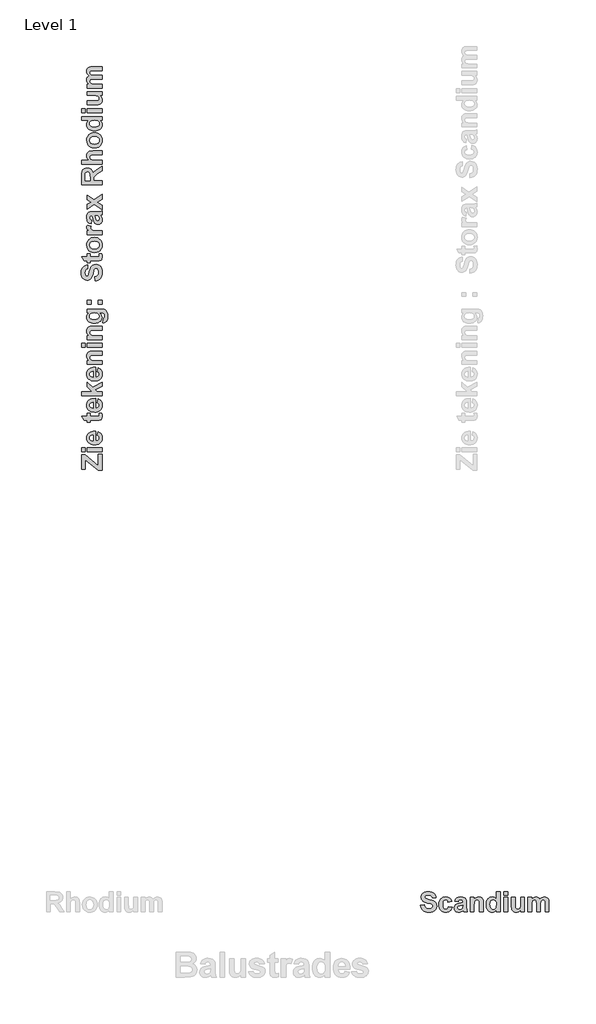
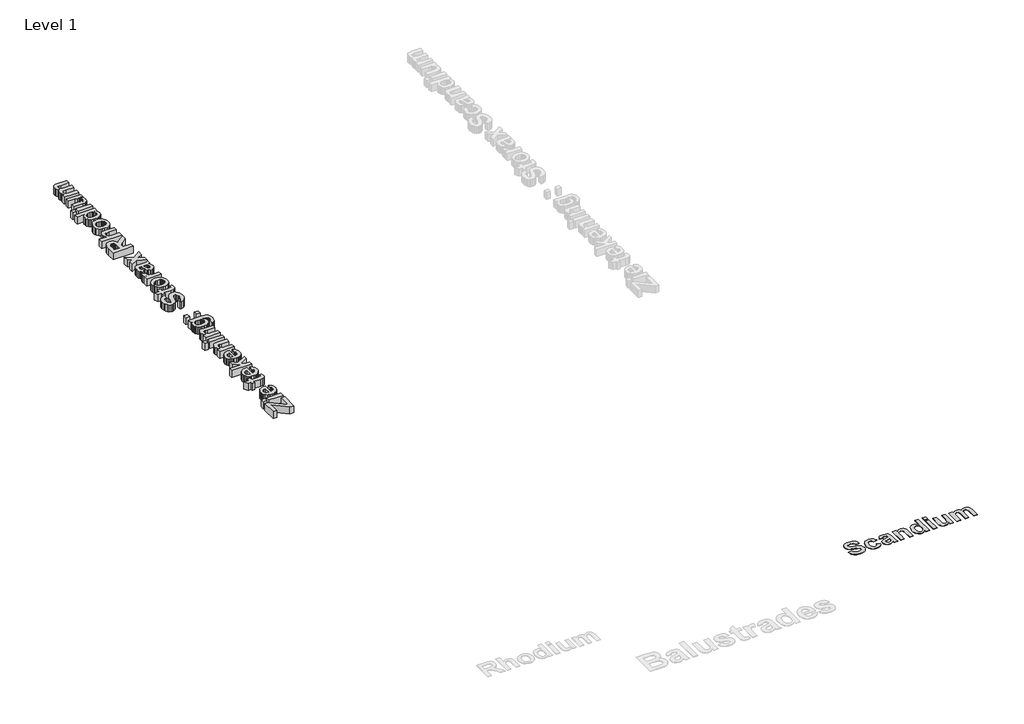
# One storey, part 8 of 16: 2 proxies.
"""IFC4 building model written with IfcOpenShell, lengths in millimetres."""

from ifc_helpers import new_model, si_unit, origin, origin_with_axes, place, context, project, spatial, polyline, outline, extrude, element, save

model = new_model("IFC4")

# Units and contexts
model_context = context("Model", 3, world=origin())
ifc_project = project(units=[si_unit("LENGTHUNIT", "METRE", prefix="MILLI")], contexts=[model_context])

# Site, building, storey
site = spatial("IfcSite", under=ifc_project)
building = spatial("IfcBuilding", under=site)
storey = spatial("IfcBuildingStorey", under=building, Name="Level 1", Elevation=0.0)

# Proxies
placement = place(None, origin())
element("IfcBuildingElementProxy", 1, Name="400mm", ObjectType="400mm", at=placement, inside=storey, context=model_context, shape_type="SweptSolid", body=[
    extrude(outline(polyline([(11145.7837333, -15604.7604972), (11221.9742095, -15598.4112909), (11233.0853206, -15632.4886718), (11251.7361143, -15656.1493861), (11278.0505984, -15669.9886718), (11312.1527809, -15674.6017671), (11347.544646, -15670.521906), (11372.966273, -15658.2823226), (11388.2936539, -15640.5863901), (11393.4027809, -15620.1374814), (11391.2822452, -15607.178652), (11384.9206381, -15596.2783544), (11373.2514912, -15587.0645647), (11355.2083365, -15579.1652591), (11289.1369079, -15562.2009734), (11232.7380984, -15544.6662512), (11211.9419674, -15534.429396), (11196.0813524, -15523.2128782), (11179.6316996, -15505.8455667), (11167.8819476, -15486.6801401), (11160.8320964, -15465.7165984), (11158.482146, -15442.9549417), (11162.7976222, -15413.490656), (11175.7440508, -15386.0104972), (11196.8254, -15362.6722036), (11225.5456381, -15345.6335131), (11261.4335349, -15335.2168464), (11304.0178603, -15331.7446242), (11339.2454149, -15333.9085627), (11369.8288722, -15340.4003782), (11395.7682323, -15351.2200706), (11417.0634952, -15366.3676401), (11433.7828653, -15385.1238405), (11445.9945468, -15406.7694258), (11453.6985399, -15431.304396), (11456.8948444, -15458.7287512), (11380.7043682, -15458.7287512), (11372.2842293, -15432.5506758), (11357.7380984, -15414.929148), (11335.7266897, -15404.9217075), (11304.9107174, -15401.5858941), (11272.4702412, -15405.132521), (11247.966273, -15415.772402), (11237.9960349, -15426.4370845), (11234.6726222, -15440.1771639), (11237.6984158, -15453.1483941), (11246.7757968, -15464.0858941), (11273.1274833, -15476.8959139), (11321.4285746, -15490.1275607), (11372.9786738, -15503.8924417), (11409.0773841, -15518.3021639), (11434.3750031, -15535.7500806), (11453.5218285, -15558.6295449), (11465.5754, -15587.225775), (11469.5932571, -15621.8239893), (11464.8437531, -15654.8597036), (11450.5952412, -15685.7128782), (11427.653773, -15711.6553385), (11396.8254, -15729.9589099), (11357.7753008, -15740.8220052), (11310.1686539, -15744.4430369), (11274.5659754, -15742.2139943), (11243.3531778, -15735.5268663), (11216.5302611, -15724.381653), (11194.0972254, -15708.7783544), (11175.8990607, -15688.9029824), (11161.7807571, -15664.9415488), (11151.7423147, -15636.8940538), (11145.7837333, -15604.7604972)])), origin_with_axes(), (0.0, 0.0, 1.0), 5.0),
    extrude(outline(polyline([(11774.3551619, -15528.570021), (11698.1646857, -15541.2684337), (11692.3239119, -15521.8859933), (11681.9444476, -15507.9847036), (11667.3983166, -15499.6141679), (11649.0575428, -15496.8239893), (11624.9007968, -15502.0571242), (11606.2004, -15517.756529), (11599.2125528, -15529.9775111), (11594.2212333, -15545.7079179), (11590.2281778, -15587.6970052), (11594.3824436, -15634.2495845), (11599.575276, -15651.5176897), (11606.8452412, -15664.7803385), (11626.3020865, -15681.6702195), (11651.4384952, -15687.3001798), (11670.4737135, -15684.0883742), (11685.7142889, -15674.4529575), (11697.0858166, -15656.9554377), (11704.513892, -15630.1573226), (11780.7043682, -15642.8557353), (11773.6824188, -15666.4637462), (11764.0253008, -15686.9901599), (11751.7330141, -15704.4349764), (11736.8055587, -15718.7981956), (11719.1809307, -15730.0178137), (11698.7971262, -15738.0318266), (11675.654145, -15742.8402343), (11649.7519873, -15744.4430369), (11620.3218037, -15741.9194754), (11594.0352214, -15734.3487909), (11570.8922403, -15721.7309833), (11550.8928603, -15704.0660528), (11534.7687283, -15681.9430369), (11523.2514912, -15655.9509734), (11516.341149, -15626.0898623), (11514.0377016, -15592.3597036), (11516.325648, -15558.2482204), (11523.1894873, -15528.1359933), (11534.6292194, -15502.023022), (11550.6448444, -15479.9093068), (11570.5667194, -15462.3094804), (11593.7252016, -15449.7381758), (11620.1202908, -15442.1953931), (11649.7519873, -15439.6811322), (11695.6101222, -15445.1746837), (11714.6143385, -15452.0416232), (11731.0019873, -15461.6553385), (11745.0210845, -15474.0778335), (11756.919646, -15489.3711123), (11774.3551619, -15528.570021)])), origin_with_axes(), (0.0, 0.0, 1.0), 5.0),
    extrude(outline(polyline([(11901.3392889, -15534.9192274), (11831.498019, -15522.2208147), (11846.6393881, -15485.6136718), (11857.232766, -15471.4023623), (11869.841273, -15459.9192274), (11885.1035498, -15451.0650607), (11903.6582373, -15444.740656), (11950.6448444, -15439.6811322), (11993.1299635, -15442.7441282), (12023.1646857, -15451.9331163), (12043.4523841, -15465.8220052), (12056.6964317, -15482.9847036), (12063.9880984, -15509.6588107), (12066.4186539, -15552.0819258), (12066.4186539, -15642.1612909), (12070.4365111, -15698.9073226), (12085.466273, -15738.0938306), (12009.2757968, -15738.0938306), (12002.1329397, -15713.8874814), (11999.4543682, -15704.2644655), (11979.7371063, -15721.8115885), (11958.6805587, -15734.3735925), (11936.2351222, -15741.9256758), (11912.3511936, -15744.4430369), (11891.7751768, -15742.9146391), (11873.4995071, -15738.3294456), (11857.5241847, -15730.6874566), (11843.8492095, -15719.9886718), (11832.8900081, -15706.9585379), (11825.0620071, -15692.3225012), (11820.3652065, -15676.0805617), (11818.7996063, -15658.2327195), (11821.5897849, -15634.8696242), (11829.9603206, -15614.1851004), (11843.3655785, -15597.0968068), (11861.2599238, -15584.522402), (11885.8382968, -15574.8745845), (11919.2956381, -15566.5660528), (11962.6240111, -15556.7694258), (11990.2281778, -15547.6176401), (11990.2281778, -15539.5819258), (11987.8596262, -15519.7902591), (11980.7539714, -15506.6454179), (11967.1006976, -15499.2793464), (11945.0892889, -15496.8239893), (11929.2906778, -15498.9321242), (11917.4107174, -15505.256529), (11908.4325428, -15516.8884734), (11901.3392889, -15534.9192274)]), holes=[polyline([(11990.2281778, -15604.7604972), (11947.2718285, -15615.3259734), (11908.7797651, -15627.3795449), (11898.4375031, -15638.2178385), (11894.9900825, -15651.6851004), (11897.7554595, -15665.1895647), (11906.0515904, -15676.7347036), (11918.6135944, -15684.6588107), (11934.1765904, -15687.3001798), (11952.8521857, -15684.2247829), (11970.5853206, -15674.9985925), (11981.2500031, -15664.631529), (11987.4504, -15652.1811322), (11990.2281778, -15618.5501798), (11990.2281778, -15604.7604972)])]), origin_with_axes(), (0.0, 0.0, 1.0), 5.0),
    extrude(outline(polyline([(12402.9265904, -15738.0938306), (12326.7361143, -15738.0938306), (12326.7361143, -15587.9946242), (12325.5456381, -15548.7089099), (12321.9742095, -15526.288275), (12315.6994079, -15513.8626798), (12306.3988127, -15504.5620845), (12294.5188524, -15498.7585131), (12280.5059555, -15496.8239893), (12262.0659754, -15499.5893663), (12245.6349238, -15507.8854972), (12232.638892, -15520.757521), (12224.5039714, -15537.2505766), (12220.2256976, -15563.3046441), (12218.7996063, -15604.8597036), (12218.7996063, -15738.0938306), (12142.6091301, -15738.0938306), (12142.6091301, -15446.0303385), (12218.7996063, -15446.0303385), (12218.7996063, -15488.0938306), (12238.0766401, -15466.913275), (12259.6974238, -15451.7843068), (12283.6619575, -15442.7069258), (12309.9702412, -15439.6811322), (12333.1349238, -15441.9876798), (12354.216273, -15448.9073226), (12371.8254, -15459.3983941), (12384.5734158, -15472.4192274), (12393.3159754, -15487.6598028), (12398.9087333, -15504.8101004), (12402.9265904, -15556.7446242), (12402.9265904, -15738.0938306)])), origin_with_axes(), (0.0, 0.0, 1.0), 5.0),
    extrude(outline(polyline([(12739.434527, -15738.0938306), (12663.2440508, -15738.0938306), (12663.2440508, -15696.0303385), (12644.6552611, -15717.396906), (12623.0158762, -15732.4886718), (12599.7643881, -15741.4544456), (12576.3392889, -15744.4430369), (12553.2397105, -15741.913275), (12531.857642, -15734.3239893), (12512.1930835, -15721.6751798), (12494.2460349, -15703.9668464), (12479.2937779, -15681.726023), (12468.6135944, -15655.4797433), (12462.2054843, -15625.2280072), (12460.0694476, -15590.9708147), (12462.2023841, -15556.1369853), (12468.6011936, -15525.7426401), (12479.2658762, -15499.787779), (12494.1964317, -15478.272402), (12512.388396, -15461.3887214), (12532.8373047, -15449.3289496), (12555.5431579, -15442.0930865), (12580.5059555, -15439.6811322), (12603.6086341, -15442.1798921), (12625.0992095, -15449.6761718), (12644.9776817, -15462.1699714), (12663.2440508, -15479.6612909), (12663.2440508, -15338.0938306), (12739.434527, -15338.0938306), (12739.434527, -15738.0938306)]), holes=[polyline([(12536.2599238, -15586.506529), (12539.434527, -15627.9747829), (12548.9583365, -15656.1493861), (12559.0463821, -15669.7778583), (12570.9573444, -15679.5124814), (12584.6912234, -15685.3532552), (12600.248019, -15687.3001798), (12624.5535746, -15681.459406), (12644.8908762, -15663.9370845), (12652.9203901, -15650.8139447), (12658.6557571, -15634.8076202), (12663.2440508, -15594.1454179), (12658.7921658, -15549.6141679), (12653.2273097, -15532.7893911), (12645.4365111, -15519.5918464), (12625.1116103, -15502.5159536), (12599.7519873, -15496.8239893), (12574.9504, -15502.4539496), (12554.513892, -15519.3438306), (12546.5277809, -15531.9864397), (12540.8234158, -15547.3944258), (12536.2599238, -15586.506529)])]), origin_with_axes(), (0.0, 0.0, 1.0), 5.0),
    extrude(outline(polyline([(12815.6250031, -15738.0938306), (12815.6250031, -15446.0303385), (12891.8154793, -15446.0303385), (12891.8154793, -15738.0938306), (12815.6250031, -15738.0938306)])), origin_with_axes(), (0.0, 0.0, 1.0), 5.0),
    extrude(outline(polyline([(12815.6250031, -15407.9351004), (12815.6250031, -15338.0938306), (12891.8154793, -15338.0938306), (12891.8154793, -15407.9351004), (12815.6250031, -15407.9351004)])), origin_with_axes(), (0.0, 0.0, 1.0), 5.0),
    extrude(outline(polyline([(13152.1329397, -15738.0938306), (13152.1329397, -15695.2366877), (13134.5858166, -15715.710398), (13112.3015904, -15731.2981956), (13086.9419674, -15741.1568266), (13060.1686539, -15744.4430369), (13033.7053603, -15741.2188306), (13010.0694476, -15731.5462115), (12990.9226222, -15716.0328187), (12977.9265904, -15695.2862909), (12970.4861143, -15667.4465091), (12968.0059555, -15630.6533544), (12968.0059555, -15446.0303385), (13044.1964317, -15446.0303385), (13044.1964317, -15581.0501798), (13045.2256976, -15631.037779), (13048.3134952, -15656.9926401), (13054.1418682, -15669.4926401), (13063.3928603, -15679.115656), (13075.8308563, -15685.2540488), (13091.2202412, -15687.3001798), (13109.4618087, -15684.5720052), (13125.6944476, -15676.3874814), (13138.5168682, -15664.147898), (13146.5277809, -15649.2545449), (13150.73165, -15621.3155568), (13152.1329397, -15569.9390687), (13152.1329397, -15446.0303385), (13228.3234158, -15446.0303385), (13228.3234158, -15738.0938306), (13152.1329397, -15738.0938306)])), origin_with_axes(), (0.0, 0.0, 1.0), 5.0),
    extrude(outline(polyline([(13298.1646857, -15446.0303385), (13374.3551619, -15446.0303385), (13374.3551619, -15485.1176401), (13393.1113623, -15465.2391679), (13413.5664714, -15451.0402591), (13435.7204893, -15442.5209139), (13459.5734158, -15439.6811322), (13484.1145865, -15442.4713107), (13505.1587333, -15450.8418464), (13522.7306579, -15464.8671441), (13536.8551619, -15484.6216083), (13556.3616103, -15464.8671441), (13577.3809555, -15450.8418464), (13599.888396, -15442.4713107), (13623.8591301, -15439.6811322), (13652.8025825, -15442.9425409), (13676.934527, -15452.7267671), (13695.9325428, -15468.835398), (13709.4742095, -15491.070021), (13715.2777809, -15515.4995845), (13717.2123047, -15551.4866877), (13717.2123047, -15738.0938306), (13641.0218285, -15738.0938306), (13641.0218285, -15569.9390687), (13639.0873047, -15533.9519655), (13633.2837333, -15513.490656), (13620.138892, -15500.990656), (13601.3392889, -15496.8239893), (13586.1235151, -15499.3165488), (13571.8254, -15506.7942274), (13559.9206381, -15519.0834139), (13551.8849238, -15536.0104972), (13547.3090309, -15560.8368861), (13545.7837333, -15596.8239893), (13545.7837333, -15738.0938306), (13469.5932571, -15738.0938306), (13469.5932571, -15576.8835131), (13465.6250031, -15521.4767671), (13460.5778801, -15510.6136718), (13453.373019, -15502.9251798), (13443.5887928, -15498.3492869), (13430.8035746, -15496.8239893), (13414.5089317, -15499.2421441), (13399.9504, -15506.4966083), (13388.1944476, -15518.3269655), (13380.3075428, -15534.4727988), (13375.8432571, -15558.7907552), (13374.3551619, -15595.1374814), (13374.3551619, -15738.0938306), (13298.1646857, -15738.0938306), (13298.1646857, -15446.0303385)])), origin_with_axes(), (0.0, 0.0, 1.0), 5.0),
])
element("IfcBuildingElementProxy", 2, Name="400mm", ObjectType="400mm", at=placement, inside=storey, context=model_context, shape_type="SweptSolid", body=[
    extrude(outline(polyline([(4773.6643168, -6913.9641128), (4695.9302673, -6913.9641128), (4436.8167689, -6695.2358823), (4436.8167689, -6888.0527629), (4365.5605568, -6888.0527629), (4365.5605568, -6596.5500772), (4436.8167689, -6596.5500772), (4702.4081047, -6820.7439831), (4702.4081047, -6590.0722398), (4773.6643168, -6590.0722398), (4773.6643168, -6913.9641128)])), origin_with_axes(), (0.0, 0.0, 1.0), 150.0),
    extrude(outline(polyline([(4773.6643168, -6538.2495401), (4475.6837936, -6538.2495401), (4475.6837936, -6460.5154906), (4773.6643168, -6460.5154906), (4773.6643168, -6538.2495401)])), origin_with_axes(), (0.0, 0.0, 1.0), 150.0),
    extrude(outline(polyline([(4436.8167689, -6538.2495401), (4365.5605568, -6538.2495401), (4365.5605568, -6460.5154906), (4436.8167689, -6460.5154906), (4436.8167689, -6538.2495401)])), origin_with_axes(), (0.0, 0.0, 1.0), 150.0),
    extrude(outline(polyline([(4682.9745924, -6214.3576671), (4695.9302673, -6136.6236176), (4732.2036266, -6155.5510489), (4746.6490777, -6168.2030752), (4758.6337096, -6182.9806419), (4768.0436541, -6199.8141629), (4774.7650431, -6218.634052), (4780.1421543, -6262.2329346), (4776.9728217, -6297.4371977), (4767.4648239, -6327.7451267), (4751.618161, -6353.1567215), (4729.4328329, -6373.6719821), (4707.8041939, -6386.1595321), (4683.5059775, -6395.0792106), (4656.5381834, -6400.4310177), (4626.9008118, -6402.2149534), (4591.9559152, -6399.8490245), (4561.0090589, -6392.7512378), (4534.0602429, -6380.9215932), (4511.1094672, -6364.3600908), (4492.7766811, -6344.1801088), (4479.6818339, -6321.4950257), (4471.8249256, -6296.3048414), (4469.2059562, -6268.6095558), (4471.8945118, -6237.8335019), (4479.9601785, -6210.4861471), (4493.4029564, -6186.5674914), (4512.2228456, -6166.0775348), (4536.5969742, -6149.7500948), (4566.7024708, -6138.3189891), (4602.5393352, -6131.7842175), (4644.1075676, -6130.1457801), (4644.1075676, -6324.4809039), (4676.8510116, -6319.4960056), (4701.3959426, -6306.1607698), (4716.7301985, -6286.499521), (4721.8416171, -6262.5365832), (4719.5389483, -6246.2154693), (4712.630942, -6232.6778012), (4700.611517, -6222.024795), (4682.9745924, -6214.3576671)]), holes=[polyline([(4598.7627054, -6207.8798296), (4568.0309335, -6212.6116875), (4545.6748031, -6225.1878016), (4532.0485707, -6243.4573276), (4527.5064933, -6265.2694209), (4532.2889592, -6288.2961087), (4546.6363571, -6306.9704995), (4569.2834841, -6319.217661), (4598.7627054, -6323.1650932), (4598.7627054, -6207.8798296)])]), origin_with_axes(), (0.0, 0.0, 1.0), 150.0),
    extrude(outline(polyline([(4475.6837936, -5773.8647198), (4533.9843308, -5773.8647198), (4533.9843308, -5832.165257), (4661.8204044, -5832.165257), (4707.0134423, -5830.3939733), (4717.6411444, -5822.3472846), (4721.8416171, -5807.0636368), (4714.3516175, -5770.6258011), (4769.6156684, -5767.3868824), (4777.5105328, -5797.3721847), (4780.1421543, -5831.0518786), (4778.3202625, -5851.7505936), (4772.8545871, -5870.3237682), (4764.5042498, -5885.4935478), (4754.028372, -5895.9820776), (4740.4400958, -5902.9027359), (4722.752563, -5907.3689012), (4666.1727014, -5909.8993065), (4533.9843308, -5909.8993065), (4533.9843308, -5948.7663312), (4475.6837936, -5948.7663312), (4475.6837936, -5909.8993065), (4417.3832565, -5909.8993065), (4372.0383943, -5832.165257), (4475.6837936, -5832.165257), (4475.6837936, -5773.8647198)])), origin_with_axes(), (0.0, 0.0, 1.0), 150.0),
    extrude(outline(polyline([(4682.9745924, -5560.0960836), (4695.9302673, -5482.3620341), (4732.2036266, -5501.2894654), (4746.6490777, -5513.9414917), (4758.6337096, -5528.7190584), (4768.0436541, -5545.5525794), (4774.7650431, -5564.3724685), (4780.1421543, -5607.9713511), (4776.9728217, -5643.1756143), (4767.4648239, -5673.4835432), (4751.618161, -5698.895138), (4729.4328329, -5719.4103987), (4707.8041939, -5731.8979486), (4683.5059775, -5740.8176271), (4656.5381834, -5746.1694343), (4626.9008118, -5747.95337), (4591.9559152, -5745.5874411), (4561.0090589, -5738.4896543), (4534.0602429, -5726.6600097), (4511.1094672, -5710.0985073), (4492.7766811, -5689.9185254), (4479.6818339, -5667.2334422), (4471.8249256, -5642.0432579), (4469.2059562, -5614.3479724), (4471.8945118, -5583.5719184), (4479.9601785, -5556.2245636), (4493.4029564, -5532.3059079), (4512.2228456, -5511.8159513), (4536.5969742, -5495.4885114), (4566.7024708, -5484.0574056), (4602.5393352, -5477.5226341), (4644.1075676, -5475.8841967), (4644.1075676, -5670.2193205), (4676.8510116, -5665.2344221), (4701.3959426, -5651.8991864), (4716.7301985, -5632.2379375), (4721.8416171, -5608.2749997), (4719.5389483, -5591.9538858), (4712.630942, -5578.4162177), (4700.611517, -5567.7632116), (4682.9745924, -5560.0960836)]), holes=[polyline([(4598.7627054, -5553.6182462), (4568.0309335, -5558.350104), (4545.6748031, -5570.9262181), (4532.0485707, -5589.1957441), (4527.5064933, -5611.0078374), (4532.2889592, -5634.0345253), (4546.6363571, -5652.7089161), (4569.2834841, -5664.9560775), (4598.7627054, -5668.9035097), (4598.7627054, -5553.6182462)])]), origin_with_axes(), (0.0, 0.0, 1.0), 150.0),
    extrude(outline(polyline([(4773.6643168, -5417.5836595), (4365.5605568, -5417.5836595), (4365.5605568, -5339.84961), (4580.6450037, -5339.84961), (4475.6837936, -5245.9209668), (4475.6837936, -5155.2312424), (4585.1997332, -5255.131642), (4773.6643168, -5148.7534049), (4773.6643168, -5226.4874544), (4640.1601354, -5305.1324499), (4678.2174305, -5339.84961), (4773.6643168, -5339.84961), (4773.6643168, -5417.5836595)])), origin_with_axes(), (0.0, 0.0, 1.0), 150.0),
    extrude(outline(polyline([(4682.9745924, -4938.2236875), (4695.9302673, -4860.4896379), (4732.2036266, -4879.4170693), (4746.6490777, -4892.0690956), (4758.6337096, -4906.8466623), (4768.0436541, -4923.6801832), (4774.7650431, -4942.5000724), (4780.1421543, -4986.0989549), (4776.9728217, -5021.3032181), (4767.4648239, -5051.6111471), (4751.618161, -5077.0227419), (4729.4328329, -5097.5380025), (4707.8041939, -5110.0255524), (4683.5059775, -5118.945231), (4656.5381834, -5124.2970381), (4626.9008118, -5126.0809738), (4591.9559152, -5123.7150449), (4561.0090589, -5116.6172581), (4534.0602429, -5104.7876136), (4511.1094672, -5088.2261112), (4492.7766811, -5068.0461292), (4479.6818339, -5045.3610461), (4471.8249256, -5020.1708617), (4469.2059562, -4992.4755762), (4471.8945118, -4961.6995222), (4479.9601785, -4934.3521674), (4493.4029564, -4910.4335117), (4512.2228456, -4889.9435551), (4536.5969742, -4873.6161152), (4566.7024708, -4862.1850095), (4602.5393352, -4855.6502379), (4644.1075676, -4854.0118005), (4644.1075676, -5048.3469243), (4676.8510116, -5043.3620259), (4701.3959426, -5030.0267902), (4716.7301985, -5010.3655414), (4721.8416171, -4986.4026036), (4719.5389483, -4970.0814897), (4712.630942, -4956.5438215), (4700.611517, -4945.8908154), (4682.9745924, -4938.2236875)]), holes=[polyline([(4598.7627054, -4931.74585), (4568.0309335, -4936.4777078), (4545.6748031, -4949.053822), (4532.0485707, -4967.3233479), (4527.5064933, -4989.1354413), (4532.2889592, -5012.1621291), (4546.6363571, -5030.8365199), (4569.2834841, -5043.0836814), (4598.7627054, -5047.0311136), (4598.7627054, -4931.74585)])]), origin_with_axes(), (0.0, 0.0, 1.0), 150.0),
    extrude(outline(polyline([(4773.6643168, -4530.1199275), (4773.6643168, -4607.853977), (4620.5241906, -4607.853977), (4580.4425713, -4609.0685715), (4557.5677078, -4612.7123551), (4544.8903774, -4619.1142804), (4535.4013577, -4628.6033001), (4529.4802094, -4640.7239413), (4527.5064933, -4655.020731), (4530.3278952, -4673.8342941), (4538.7921008, -4690.5982289), (4551.924904, -4703.8575525), (4568.752099, -4712.1572817), (4595.3340062, -4716.5222308), (4637.7309463, -4717.9772138), (4773.6643168, -4717.9772138), (4773.6643168, -4795.7112633), (4475.6837936, -4795.7112633), (4475.6837936, -4717.9772138), (4518.5994668, -4717.9772138), (4496.9898059, -4698.309639), (4481.5543338, -4676.2508311), (4472.2930506, -4651.8007903), (4469.2059562, -4624.9595165), (4471.5592331, -4601.3255314), (4478.6190637, -4579.8170867), (4489.322678, -4561.8512094), (4502.6073056, -4548.8449264), (4518.1566459, -4539.9252479), (4535.6543982, -4534.219184), (4588.6410843, -4530.1199275), (4773.6643168, -4530.1199275)])), origin_with_axes(), (0.0, 0.0, 1.0), 150.0),
    extrude(outline(polyline([(4773.6643168, -4452.385878), (4475.6837936, -4452.385878), (4475.6837936, -4374.6518284), (4773.6643168, -4374.6518284), (4773.6643168, -4452.385878)])), origin_with_axes(), (0.0, 0.0, 1.0), 150.0),
    extrude(outline(polyline([(4436.8167689, -4452.385878), (4365.5605568, -4452.385878), (4365.5605568, -4374.6518284), (4436.8167689, -4374.6518284), (4436.8167689, -4452.385878)])), origin_with_axes(), (0.0, 0.0, 1.0), 150.0),
    extrude(outline(polyline([(4773.6643168, -4031.3264431), (4773.6643168, -4109.0604926), (4620.5241906, -4109.0604926), (4580.4425713, -4110.2750871), (4557.5677078, -4113.9188707), (4544.8903774, -4120.320796), (4535.4013577, -4129.8098157), (4529.4802094, -4141.9304569), (4527.5064933, -4156.2272466), (4530.3278952, -4175.0408097), (4538.7921008, -4191.8047445), (4551.924904, -4205.0640681), (4568.752099, -4213.3637973), (4595.3340062, -4217.7287464), (4637.7309463, -4219.1837294), (4773.6643168, -4219.1837294), (4773.6643168, -4296.9177789), (4475.6837936, -4296.9177789), (4475.6837936, -4219.1837294), (4518.5994668, -4219.1837294), (4496.9898059, -4199.5161545), (4481.5543338, -4177.4573467), (4472.2930506, -4153.0073059), (4469.2059562, -4126.1660321), (4471.5592331, -4102.532047), (4478.6190637, -4081.0236023), (4489.322678, -4063.057725), (4502.6073056, -4050.051442), (4518.1566459, -4041.1317634), (4535.6543982, -4035.4256996), (4588.6410843, -4031.3264431), (4773.6643168, -4031.3264431)])), origin_with_axes(), (0.0, 0.0, 1.0), 150.0),
    extrude(outline(polyline([(4793.0978292, -3960.070231), (4806.0535041, -3869.3805066), (4817.4909359, -3865.9138514), (4824.6772868, -3859.7649666), (4830.1429621, -3846.2779066), (4831.9648539, -3826.8696982), (4829.6621851, -3801.71747), (4822.7541788, -3783.7515926), (4814.682186, -3775.3000391), (4802.8145854, -3769.1764583), (4766.5791821, -3765.7351072), (4723.1574278, -3765.7351072), (4745.2541918, -3785.7822429), (4761.0375946, -3807.4614899), (4770.5076362, -3830.7728483), (4773.6643168, -3855.7163182), (4770.4949842, -3882.9624568), (4760.9869864, -3907.2100652), (4745.1403235, -3928.4591433), (4722.9549954, -3946.7096912), (4701.6869392, -3958.2230352), (4677.9643899, -3966.4468522), (4651.7873475, -3971.3811425), (4623.1558121, -3973.0259059), (4587.9167558, -3970.8718984), (4557.0995828, -3964.409876), (4530.704293, -3953.6398386), (4508.7308863, -3938.5617863), (4491.4387294, -3920.2764453), (4479.0871887, -3899.8845419), (4471.6762643, -3877.3860762), (4469.2059562, -3852.7810481), (4472.1349003, -3827.5276036), (4480.9217325, -3804.602132), (4495.5664529, -3784.0046332), (4516.0690615, -3765.7351072), (4475.6837936, -3765.7351072), (4475.6837936, -3688.0010577), (4740.3641836, -3688.0010577), (4785.9241303, -3690.1139461), (4818.3512736, -3696.4526112), (4841.4159176, -3706.5995363), (4858.8883659, -3720.1372045), (4871.9832131, -3737.9259534), (4881.9150537, -3760.826121), (4888.1778067, -3789.6600889), (4890.2653911, -3825.2502389), (4888.7091918, -3859.3664278), (4884.0405941, -3888.1308095), (4876.259598, -3911.5433842), (4865.3662033, -3929.6041517), (4852.0815757, -3943.0659077), (4837.1268807, -3952.6814476), (4820.5021181, -3958.4507716), (4802.2072881, -3960.3738796), (4793.0978292, -3960.070231)]), holes=[polyline([(4620.220542, -3895.2918564), (4662.9843908, -3890.8003871), (4679.3940689, -3885.1860504), (4692.4889161, -3877.3259791), (4709.6450638, -3857.2472133), (4715.3637797, -3832.9426708), (4709.4932395, -3806.8921487), (4691.8816189, -3785.2192277), (4678.7298375, -3776.694925), (4662.7566543, -3770.6061373), (4622.3460824, -3765.7351072), (4580.3793112, -3770.4037049), (4564.0550343, -3776.239452), (4550.8368298, -3784.409498), (4533.3390774, -3805.5510339), (4527.5064933, -3831.6268601), (4533.2252092, -3856.9182607), (4550.3813568, -3877.3259791), (4563.3243797, -3885.1860504), (4579.2785849, -3890.8003871), (4620.220542, -3895.2918564)])]), origin_with_axes(), (0.0, 0.0, 1.0), 150.0),
    extrude(outline(polyline([(4553.4178431, -3590.8334958), (4475.6837936, -3590.8334958), (4475.6837936, -3513.0994463), (4553.4178431, -3513.0994463), (4553.4178431, -3590.8334958)])), origin_with_axes(), (0.0, 0.0, 1.0), 150.0),
    extrude(outline(polyline([(4773.6643168, -3590.8334958), (4695.9302673, -3590.8334958), (4695.9302673, -3513.0994463), (4773.6643168, -3513.0994463), (4773.6643168, -3590.8334958)])), origin_with_axes(), (0.0, 0.0, 1.0), 150.0),
    extrude(outline(polyline([(4637.6297301, -3124.4291987), (4631.1518927, -3046.6951491), (4665.9196609, -3035.3589336), (4690.0597271, -3016.330286), (4704.1793884, -2989.4826863), (4708.8859422, -2954.689614), (4704.7234255, -2918.5807309), (4692.2358756, -2892.644077), (4674.1814341, -2877.0061725), (4653.3182427, -2871.7935377), (4640.0968753, -2873.9570342), (4628.9757441, -2880.4475237), (4619.5752886, -2892.3530804), (4611.5159479, -2910.7617787), (4594.2079759, -2978.1717748), (4576.3180107, -3035.7131903), (4565.873763, -3056.9306384), (4554.4300053, -3073.11258), (4536.7108424, -3089.8954929), (4517.1571358, -3101.8832878), (4495.7688854, -3109.0759648), (4472.5460911, -3111.4735237), (4442.4848766, -3107.0706186), (4414.4479864, -3093.8619031), (4390.6368729, -3072.3534584), (4373.2529888, -3043.0513656), (4362.6252867, -3006.4364015), (4359.0827193, -2962.9893432), (4361.2904979, -2927.0480995), (4367.9138337, -2895.8450397), (4378.9527266, -2869.3801637), (4394.4071767, -2847.6534716), (4413.5433665, -2830.5953771), (4435.6274784, -2818.1362942), (4460.6595124, -2810.2762229), (4488.6394685, -2807.0151631), (4488.6394685, -2884.7492126), (4461.9310411, -2893.3399385), (4443.9525117, -2908.1807653), (4433.7423265, -2930.638112), (4430.3389314, -2962.0783973), (4433.9574109, -2995.1760981), (4444.8128495, -3020.176502), (4455.6935921, -3030.3487312), (4469.7120372, -3033.7394742), (4482.9460567, -3030.6523798), (4494.1051439, -3021.3910966), (4507.1746871, -2994.5055407), (4520.6743991, -2945.2258983), (4534.7181483, -2892.631425), (4549.4198028, -2855.8013765), (4567.2212038, -2829.9912429), (4590.5641923, -2810.4565143), (4619.739765, -2798.1587447), (4655.0389183, -2794.0594882), (4688.7439163, -2798.9052143), (4720.2221577, -2813.4423925), (4746.6901967, -2836.8486411), (4765.3645875, -2868.3015785), (4776.4477626, -2908.1428092), (4780.1421543, -2956.7139382), (4777.8679525, -2993.0379056), (4771.0453473, -3024.8830558), (4759.6743387, -3052.2493887), (4743.7549266, -3075.1369042), (4723.4768915, -3093.7037528), (4699.0300137, -3108.1080847), (4670.4142933, -3118.3499), (4637.6297301, -3124.4291987)])), origin_with_axes(), (0.0, 0.0, 1.0), 150.0),
    extrude(outline(polyline([(4475.6837936, -2586.7686895), (4533.9843308, -2586.7686895), (4533.9843308, -2645.0692266), (4661.8204044, -2645.0692266), (4707.0134423, -2643.2979429), (4717.6411444, -2635.2512542), (4721.8416171, -2619.9676065), (4714.3516175, -2583.5297707), (4769.6156684, -2580.290852), (4777.5105328, -2610.2761543), (4780.1421543, -2643.9558483), (4778.3202625, -2664.6545633), (4772.8545871, -2683.2277379), (4764.5042498, -2698.3975174), (4754.028372, -2708.8860472), (4740.4400958, -2715.8067056), (4722.752563, -2720.2728709), (4666.1727014, -2722.8032761), (4533.9843308, -2722.8032761), (4533.9843308, -2761.6703009), (4475.6837936, -2761.6703009), (4475.6837936, -2722.8032761), (4417.3832565, -2722.8032761), (4372.0383943, -2645.0692266), (4475.6837936, -2645.0692266), (4475.6837936, -2586.7686895)])), origin_with_axes(), (0.0, 0.0, 1.0), 150.0),
    extrude(outline(polyline([(4620.4229744, -2560.8573396), (4581.8722503, -2556.0622217), (4544.5614247, -2541.6768678), (4512.2101935, -2518.5110076), (4488.5382523, -2487.3743709), (4474.0390302, -2450.2027177), (4469.2059562, -2408.931808), (4471.9451199, -2376.9443225), (4480.1626109, -2347.9869973), (4493.8584294, -2322.0598324), (4513.0325752, -2299.1628279), (4536.3945418, -2280.453644), (4562.6538223, -2267.0899412), (4591.8104169, -2259.0717196), (4623.8643255, -2256.398979), (4656.1744377, -2259.1001866), (4685.5935618, -2267.2038095), (4712.1216979, -2280.7098475), (4735.758846, -2299.6183008), (4755.1765434, -2322.6196846), (4769.0463272, -2348.4045142), (4777.3681975, -2376.9727895), (4780.1421543, -2408.3245107), (4775.5241647, -2447.9633091), (4761.6701959, -2485.7043035), (4738.8838965, -2518.0934908), (4707.4689152, -2541.6768678), (4667.8427689, -2556.0622217), (4620.4229744, -2560.8573396)]), holes=[polyline([(4624.6740552, -2483.1232901), (4666.2359616, -2477.7461789), (4682.8891912, -2471.02479), (4696.7906051, -2461.6148454), (4707.7504228, -2450.2311848), (4715.5788641, -2437.5886475), (4720.2759289, -2423.6872336), (4721.8416171, -2408.5269431), (4720.2759289, -2393.3729786), (4715.5788641, -2379.4905428), (4707.7504228, -2366.8796356), (4696.7906051, -2355.540257), (4682.8512351, -2346.1745945), (4666.0841373, -2339.4848356), (4624.0667579, -2334.1330285), (4582.9603245, -2339.4848356), (4566.4209632, -2346.1745945), (4552.5575054, -2355.540257), (4541.5976876, -2366.8796356), (4533.7692463, -2379.4905428), (4529.0721816, -2393.3729786), (4527.5064933, -2408.5269431), (4529.0721816, -2423.6872336), (4533.7692463, -2437.5886475), (4541.5976876, -2450.2311848), (4552.5575054, -2461.6148454), (4566.4589192, -2471.02479), (4583.1121489, -2477.7461789), (4624.6740552, -2483.1232901)])]), origin_with_axes(), (0.0, 0.0, 1.0), 150.0),
    extrude(outline(polyline([(4773.6643168, -2120.3643923), (4773.6643168, -2198.0984419), (4475.6837936, -2198.0984419), (4475.6837936, -2120.3643923), (4517.1824399, -2120.3643923), (4492.7766811, -2103.9420622), (4478.4672394, -2089.2910158), (4471.521277, -2074.5640572), (4469.2059562, -2057.9139906), (4473.3052127, -2033.6474042), (4485.6029822, -2010.2411555), (4559.592032, -2032.9135866), (4550.1030123, -2051.6385855), (4546.9400057, -2068.9465575), (4549.1541103, -2083.8886006), (4555.7964241, -2096.3255424), (4568.2080619, -2106.3206432), (4587.7301384, -2113.937163), (4623.4594607, -2118.757585), (4684.4928355, -2120.3643923), (4773.6643168, -2120.3643923)])), origin_with_axes(), (0.0, 0.0, 1.0), 150.0),
    extrude(outline(polyline([(4566.3735181, -1913.0735936), (4553.4178431, -1984.3298057), (4516.0690615, -1968.8816816), (4501.5698394, -1958.0736881), (4489.8540631, -1945.2097404), (4480.8205163, -1929.638259), (4474.3679829, -1910.7076647), (4469.2059562, -1862.7691371), (4472.3310067, -1819.423295), (4481.7061581, -1788.7800874), (4495.8764276, -1768.0813724), (4513.386832, -1754.5690083), (4540.6013405, -1747.1296168), (4583.8839225, -1744.6498197), (4675.7882414, -1744.6498197), (4733.6839137, -1740.5505631), (4773.6643168, -1725.2163073), (4773.6643168, -1802.9503568), (4748.9675615, -1810.2379239), (4739.1495891, -1812.9707616), (4757.0522063, -1833.0874834), (4769.8687089, -1854.5706241), (4777.5737929, -1877.4707916), (4780.1421543, -1901.8385943), (4778.582792, -1922.8314689), (4773.9047053, -1941.4773926), (4766.1078941, -1957.7763655), (4755.1923584, -1971.7283875), (4741.8982418, -1982.9096157), (4726.9656878, -1990.8962073), (4710.3946963, -1995.6881623), (4692.1852675, -1997.2854806), (4668.34885, -1994.4387747), (4647.2452701, -1985.8986569), (4629.8107779, -1972.2218165), (4616.9816232, -1953.9649426), (4607.1383468, -1928.8886265), (4598.6614892, -1894.7534596), (4588.6663884, -1850.5472797), (4579.329193, -1822.3838692), (4571.13068, -1822.3838692), (4550.938046, -1824.8004062), (4537.5268981, -1832.0500173), (4530.0115945, -1845.9798982), (4527.5064933, -1868.4372449), (4529.6573378, -1884.5559264), (4536.1098712, -1896.6765676), (4547.9774718, -1905.8366346), (4566.3735181, -1913.0735936)]), holes=[polyline([(4637.6297301, -1822.3838692), (4648.4092565, -1866.2104883), (4660.7070261, -1905.4823779), (4671.7648971, -1916.0341678), (4685.5049976, -1919.5514311), (4699.2830542, -1916.7300292), (4711.0620907, -1908.2658236), (4719.1467355, -1895.449321), (4721.8416171, -1879.571028), (4718.7039146, -1860.5170764), (4709.290807, -1842.4246788), (4698.7137131, -1831.5439362), (4686.0110787, -1825.2179231), (4651.6987834, -1822.3838692), (4637.6297301, -1822.3838692)])]), origin_with_axes(), (0.0, 0.0, 1.0), 150.0),
    extrude(outline(polyline([(4773.6643168, -1702.5438762), (4620.220542, -1597.2790174), (4475.6837936, -1689.5882013), (4475.6837936, -1597.1778012), (4557.5677078, -1552.2378039), (4475.6837936, -1503.4515905), (4475.6837936, -1411.0411905), (4616.7791908, -1506.083212), (4773.6643168, -1398.0855156), (4773.6643168, -1490.4959156), (4681.355133, -1552.2378039), (4773.6643168, -1610.1334762), (4773.6643168, -1702.5438762)])), origin_with_axes(), (0.0, 0.0, 1.0), 150.0),
    extrude(outline(polyline([(4773.6643168, -1200.511473), (4365.5605568, -1200.511473), (4365.5605568, -1028.8487803), (4368.3186985, -972.9268241), (4376.5931237, -934.7177047), (4391.9273796, -908.3002738), (4415.8650133, -887.7533832), (4446.1539643, -874.5446677), (4480.5421717, -870.1417626), (4502.6136316, -871.7327549), (4522.6734193, -876.5057318), (4540.7215348, -884.4606933), (4556.7579781, -895.5976395), (4570.3968624, -909.9039182), (4581.252301, -927.3668775), (4589.3242938, -947.9865173), (4594.6128407, -971.7628377), (4610.8580425, -949.2169269), (4628.6214874, -930.972705), (4654.3557089, -912.0958817), (4694.5132403, -887.6521669), (4773.6643168, -837.7525753), (4773.6643168, -928.5435159), (4680.4441871, -987.6537827), (4625.1295282, -1034.0614152), (4615.5266402, -1046.9411779), (4609.4916237, -1060.5800623), (4605.2405428, -1104.9633705), (4605.2405428, -1122.7774235), (4773.6643168, -1122.7774235), (4773.6643168, -1200.511473)]), holes=[polyline([(4533.9843308, -1122.7774235), (4533.9843308, -1058.7075624), (4532.8076923, -1008.1374133), (4529.277777, -980.9229047), (4522.8758517, -967.081588), (4513.0831833, -956.6310143), (4500.1654645, -950.0646126), (4484.3883877, -947.8758121), (4466.9159394, -950.7604741), (4453.1631868, -959.4144601), (4443.4590827, -973.331689), (4438.1325796, -992.0060798), (4436.8167689, -1055.164995), (4436.8167689, -1122.7774235), (4533.9843308, -1122.7774235)])]), origin_with_axes(), (0.0, 0.0, 1.0), 150.0),
    extrude(outline(polyline([(4365.5605568, -714.6736635), (4513.3362239, -714.6736635), (4494.0292317, -695.1452609), (4480.2385231, -673.8076186), (4471.9640979, -650.6607365), (4469.2059562, -625.7046147), (4471.7237094, -600.4005621), (4479.2769691, -577.728131), (4490.765009, -559.0031321), (4505.0871027, -545.5413761), (4521.6486051, -536.4319172), (4539.854871, -530.7638094), (4598.9651378, -526.8163772), (4773.6643168, -526.8163772), (4773.6643168, -604.5504267), (4615.1597314, -604.5504267), (4576.5330952, -605.638501), (4555.1891268, -608.9027237), (4543.7896511, -614.9250883), (4534.9964929, -624.2875877), (4529.3789932, -636.6865735), (4527.5064933, -651.8183969), (4529.9103783, -669.8348823), (4537.1220333, -685.8270436), (4549.1667623, -698.7953705), (4566.0698694, -707.7403531), (4590.0581113, -712.9403359), (4623.3582445, -714.6736635), (4773.6643168, -714.6736635), (4773.6643168, -792.407713), (4365.5605568, -792.407713), (4365.5605568, -714.6736635)])), origin_with_axes(), (0.0, 0.0, 1.0), 150.0),
    extrude(outline(polyline([(4620.4229744, -468.51584), (4581.8722503, -463.7207221), (4544.5614247, -449.3353682), (4512.2101935, -426.169508), (4488.5382523, -395.0328713), (4474.0390302, -357.8612181), (4469.2059562, -316.5903084), (4471.9451199, -284.6028229), (4480.1626109, -255.6454977), (4493.8584294, -229.7183328), (4513.0325752, -206.8213283), (4536.3945418, -188.1121444), (4562.6538223, -174.7484416), (4591.8104169, -166.73022), (4623.8643255, -164.0574794), (4656.1744377, -166.758687), (4685.5935618, -174.8623099), (4712.1216979, -188.3683479), (4735.758846, -207.2768012), (4755.1765434, -230.278185), (4769.0463272, -256.0630146), (4777.3681975, -284.6312899), (4780.1421543, -315.9830111), (4775.5241647, -355.6218095), (4761.6701959, -393.3628039), (4738.8838965, -425.7519912), (4707.4689152, -449.3353682), (4667.8427689, -463.7207221), (4620.4229744, -468.51584)]), holes=[polyline([(4624.6740552, -390.7817905), (4666.2359616, -385.4046793), (4682.8891912, -378.6832904), (4696.7906051, -369.2733458), (4707.7504228, -357.8896852), (4715.5788641, -345.2471479), (4720.2759289, -331.345734), (4721.8416171, -316.1854435), (4720.2759289, -301.031479), (4715.5788641, -287.1490432), (4707.7504228, -274.538136), (4696.7906051, -263.1987574), (4682.8512351, -253.833095), (4666.0841373, -247.1433361), (4624.0667579, -241.7915289), (4582.9603245, -247.1433361), (4566.4209632, -253.833095), (4552.5575054, -263.1987574), (4541.5976876, -274.538136), (4533.7692463, -287.1490432), (4529.0721816, -301.031479), (4527.5064933, -316.1854435), (4529.0721816, -331.345734), (4533.7692463, -345.2471479), (4541.5976876, -357.8896852), (4552.5575054, -369.2733458), (4566.4589192, -378.6832904), (4583.1121489, -385.4046793), (4624.6740552, -390.7817905)])]), origin_with_axes(), (0.0, 0.0, 1.0), 150.0),
    extrude(outline(polyline([(4773.6643168, 159.8343936), (4773.6643168, 82.1003441), (4730.7486436, 82.1003441), (4752.5480849, 63.1349567), (4767.9456009, 41.0571708), (4777.0930159, 17.3346215), (4780.1421543, -6.5650562), (4777.5611409, -30.1326181), (4769.8181008, -51.9478745), (4756.913034, -72.0108252), (4738.8459404, -90.3214702), (4716.1545313, -105.5766509), (4689.3765177, -116.4732085), (4658.5118995, -123.0111431), (4623.5606769, -125.1904547), (4588.0211351, -123.0143061), (4557.0110186, -116.4858606), (4530.5303276, -105.605118), (4508.579062, -90.3720783), (4491.3533282, -71.8115557), (4479.0492326, -50.9483644), (4471.6667753, -27.7825043), (4469.2059562, -2.3139753), (4471.7553395, 21.2567496), (4479.4034894, 43.1827112), (4492.1504058, 63.4639093), (4509.9960889, 82.1003441), (4365.5605568, 82.1003441), (4365.5605568, 159.8343936), (4773.6643168, 159.8343936)]), holes=[polyline([(4619.0059474, -47.4564051), (4661.3143233, -44.2174864), (4690.0597271, -34.5007302), (4703.964304, -24.2083068), (4713.8961446, -12.0560356), (4719.855249, 1.9560835), (4721.8416171, 17.8280505), (4715.8825127, 42.626022), (4698.0051996, 63.3753452), (4684.6161928, 71.5675322), (4668.2855898, 77.4190943), (4626.7995956, 82.1003441), (4581.3661692, 77.5582666), (4564.2005326, 71.8806698), (4550.7356136, 63.9320343), (4533.3137734, 43.1953632), (4527.5064933, 17.3219695), (4533.2505132, -7.9820831), (4550.4825731, -28.8326224), (4563.3813139, -36.9805274), (4579.1014565, -42.8004595), (4619.0059474, -47.4564051)])]), origin_with_axes(), (0.0, 0.0, 1.0), 150.0),
    extrude(outline(polyline([(4773.6643168, 237.5684431), (4475.6837936, 237.5684431), (4475.6837936, 315.3024926), (4773.6643168, 315.3024926), (4773.6643168, 237.5684431)])), origin_with_axes(), (0.0, 0.0, 1.0), 150.0),
    extrude(outline(polyline([(4436.8167689, 237.5684431), (4365.5605568, 237.5684431), (4365.5605568, 315.3024926), (4436.8167689, 315.3024926), (4436.8167689, 237.5684431)])), origin_with_axes(), (0.0, 0.0, 1.0), 150.0),
    extrude(outline(polyline([(4773.6643168, 580.8938285), (4729.9389139, 580.8938285), (4750.8274093, 562.9912113), (4766.7310064, 540.2555201), (4776.7893673, 514.3821263), (4780.1421543, 487.0664015), (4776.8526274, 460.0669774), (4766.9840469, 435.9522153), (4751.156362, 416.4174867), (4729.989522, 403.1581632), (4701.585723, 395.5669474), (4664.047161, 393.0365421), (4475.6837936, 393.0365421), (4475.6837936, 470.7705917), (4613.4390559, 470.7705917), (4664.4393738, 471.8207099), (4690.9200649, 474.9710644), (4703.6733074, 480.9175168), (4713.4912798, 490.3559284), (4719.7540328, 503.0459107), (4721.8416171, 518.7470754), (4719.0581713, 537.358206), (4710.707834, 553.9197084), (4698.220284, 567.0019036), (4683.0252005, 575.1751126), (4654.5201852, 579.4641495), (4602.1028403, 580.8938285), (4475.6837936, 580.8938285), (4475.6837936, 658.627878), (4773.6643168, 658.627878), (4773.6643168, 580.8938285)])), origin_with_axes(), (0.0, 0.0, 1.0), 150.0),
    extrude(outline(polyline([(4475.6837936, 729.8840901), (4475.6837936, 807.6181396), (4515.5629805, 807.6181396), (4495.2817824, 826.7543294), (4480.7952123, 847.6238467), (4472.1032702, 870.2266917), (4469.2059562, 894.5628643), (4472.0526621, 919.6012243), (4480.5927798, 941.0717129), (4494.9022216, 958.9996341), (4515.0568994, 973.4102921), (4494.9022216, 993.3119294), (4480.5927798, 1014.757114), (4472.0526621, 1037.7205417), (4469.2059562, 1062.1769085), (4472.5334391, 1091.7067379), (4482.5158878, 1116.327581), (4498.95087, 1135.7104853), (4521.6359531, 1149.526498), (4546.5604449, 1155.4476463), (4583.2766252, 1157.4213624), (4773.6643168, 1157.4213624), (4773.6643168, 1079.6873129), (4602.1028403, 1079.6873129), (4565.38666, 1077.7135968), (4544.5108166, 1071.7924485), (4531.7575741, 1058.3813006), (4527.5064933, 1039.2008288), (4530.0495506, 1023.6767925), (4537.6787224, 1009.0890062), (4550.2168805, 996.943061), (4567.4868964, 988.7445479), (4592.816253, 984.0759502), (4629.5324333, 982.519751), (4773.6643168, 982.519751), (4773.6643168, 904.7857015), (4609.187975, 904.7857015), (4552.6587216, 900.7370531), (4541.5755465, 895.5876784), (4533.7312902, 888.2368511), (4529.0626925, 878.2544024), (4527.5064933, 865.2101633), (4529.9736384, 848.5854007), (4537.3750738, 833.7319219), (4549.4451069, 821.7378009), (4565.9180451, 813.6911122), (4590.7286687, 809.1363827), (4627.8117577, 807.6181396), (4773.6643168, 807.6181396), (4773.6643168, 729.8840901), (4475.6837936, 729.8840901)])), origin_with_axes(), (0.0, 0.0, 1.0), 150.0),
])

save(model, "model.ifc")
